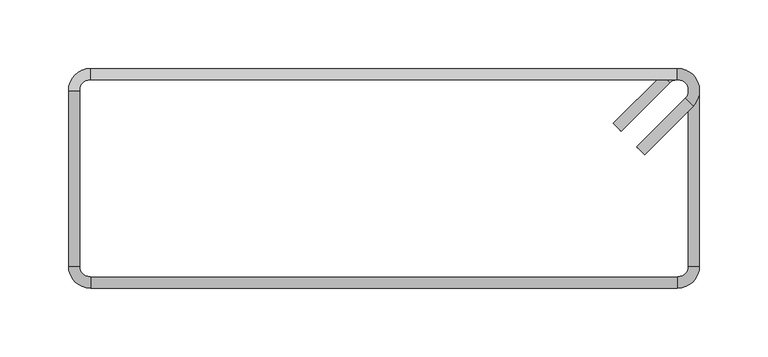
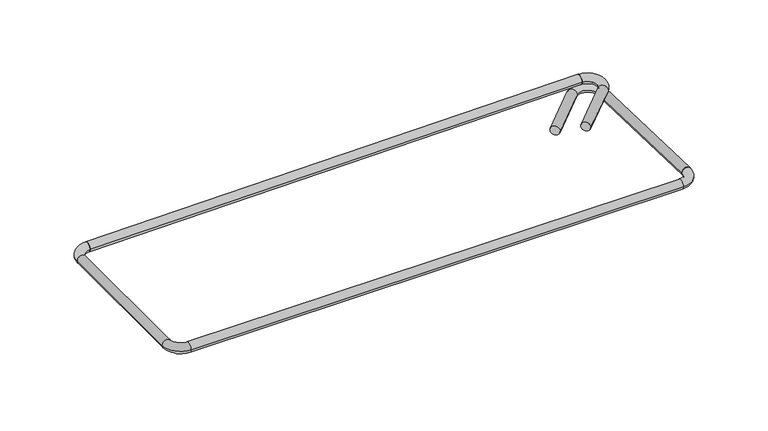
"""IFC4 building model written with IfcOpenShell, lengths in millimetres: proxy geometry."""

from ifc_helpers import new_model, si_unit, point, frame, origin, origin_2d, place, context, project, spatial, circle_curve, ellipse_curve, trimmed, segment, composite_curve, outline, extrude, source, transform, mapped, element, save
from ifc_brep_helpers import plane_surface, cylinder_surface, revolved_surface, extruded_surface, advanced_brep


def generic_models_0e64a374(model_context):
    return source(origin(), model_context, "Body", "SolidModel", [
        extrude(outline(composite_curve([segment(trimmed(circle_curve(origin_2d(), 4.0), [point((0.0, -4.0))], [point((0.0, 4.0))], False, "CARTESIAN"), True, "CONTINUOUS"), segment(trimmed(circle_curve(origin_2d(), 4.0), [point((0.0, 4.0))], [point((0.0, -4.0))], False, "CARTESIAN"), True, "CONTINUOUS")], self_intersect=False)), frame((187.1299423, 20.1593796, 4.0), z_axis=(0.7071067811865533, 0.7071067811865418, 0.0), x_axis=(0.0, 0.0, 1.0)), (0.0, 0.0, 1.0), 50.0),
        advanced_brep(
        [(214.0, 72.0, 4.0), (214.0, 80.0, 4.0), (219.6568542, 58.3431458, 4.0), (225.3137085, 52.6862915, 4.0)],
        [
            (0, 1, circle_curve(frame((214.0, 76.0, 4.0), z_axis=(-1.0, 0.0, 0.0), x_axis=(0.0, 1.0, 0.0)), 4.0)),
            (1, 0, circle_curve(frame((214.0, 76.0, 4.0), z_axis=(-1.0, 0.0, 0.0), x_axis=(0.0, 1.0, 0.0)), 4.0)),
            (2, 3, circle_curve(frame((222.4852814, 55.5147186, 4.0), z_axis=(-0.7071067811865459, -0.7071067811865491, 0.0), x_axis=(0.7071067811865491, -0.7071067811865459, 0.0)), 4.0)),
            (3, 2, circle_curve(frame((222.4852814, 55.5147186, 4.0), z_axis=(-0.7071067811865459, -0.7071067811865491, 0.0), x_axis=(0.7071067811865491, -0.7071067811865459, 0.0)), 4.0)),
            (3, 1, circle_curve(frame((214.0, 64.0, 4.0), z_axis=(0.0, 0.0, 1.0), x_axis=(0.0, 1.0, 0.0)), 16.0)),
            (0, 2, circle_curve(frame((214.0, 64.0, 4.0), z_axis=(0.0, 0.0, -1.0), x_axis=(0.0, 1.0, 0.0)), 8.0)),
        ],
        [
            plane_surface(frame((214.0, 76.0, 4.0), z_axis=(-1.0, 0.0, 0.0), x_axis=(0.0, 0.0, 1.0))),
            plane_surface(frame((222.4852814, 55.5147186, 4.0), z_axis=(-0.7071067811865459, -0.7071067811865491, 0.0), x_axis=(0.0, 0.0, 1.0))),
            revolved_surface(trimmed(ellipse_curve(frame((214.0, 76.0, 4.0), z_axis=(-1.0, 0.0, 0.0), x_axis=(0.0, 1.0, 0.0)), 4.0, 4.0), [point((214.0, 72.0, 4.0))], [point((214.0, 80.0, 4.0))], True, "CARTESIAN"), (214.0, 64.0, 4.0), (0.0, 0.0, -1.0)),
            revolved_surface(trimmed(ellipse_curve(frame((214.0, 76.0, 4.0), z_axis=(-1.0, 0.0, 0.0), x_axis=(0.0, 1.0, 0.0)), 4.0, 4.0), [point((214.0, 80.0, 4.0))], [point((214.0, 72.0, 4.0))], True, "CARTESIAN"), (214.0, 64.0, 4.0), (0.0, 0.0, -1.0)),
        ],
        [
            (0, [[1, 2]]),
            (1, [[3, 4]]),
            (2, [[5, -1, 6, -4]]),
            (3, [[-6, -2, -5, -3]]),
        ],
    ),
        extrude(outline(composite_curve([segment(trimmed(circle_curve(origin_2d(), 4.0), [point((0.0, -4.0))], [point((0.0, 4.0))], False, "CARTESIAN"), True, "CONTINUOUS"), segment(trimmed(circle_curve(origin_2d(), 4.0), [point((0.0, 4.0))], [point((0.0, -4.0))], False, "CARTESIAN"), True, "CONTINUOUS")], self_intersect=False)), frame((170.1593796, 37.1299423, -4.0), z_axis=(0.707106781186667, 0.7071067811864281, 0.0), x_axis=(0.0, 0.0, 1.0)), (0.0, 0.0, 1.0), 50.0),
        advanced_brep(
        [(230.0, 64.0, -4.0), (222.0, 64.0, -4.0), (202.6862915, 75.3137085, -4.0), (208.3431458, 69.6568542, -4.0)],
        [
            (0, 1, circle_curve(frame((226.0, 64.0, -4.0), z_axis=(0.0, -1.0, 0.0), x_axis=(-1.0, 0.0, 0.0)), 4.0)),
            (1, 0, circle_curve(frame((226.0, 64.0, -4.0), z_axis=(0.0, -1.0, 0.0), x_axis=(-1.0, 0.0, 0.0)), 4.0)),
            (2, 3, circle_curve(frame((205.5147186, 72.4852814, -4.0), z_axis=(-0.7071067811865468, -0.7071067811865482, 0.0), x_axis=(0.7071067811865482, -0.7071067811865468, 0.0)), 4.0)),
            (3, 2, circle_curve(frame((205.5147186, 72.4852814, -4.0), z_axis=(-0.7071067811865468, -0.7071067811865482, 0.0), x_axis=(0.7071067811865482, -0.7071067811865468, 0.0)), 4.0)),
            (3, 1, circle_curve(frame((214.0, 64.0, -4.0), z_axis=(0.0, 0.0, -1.0), x_axis=(1.0, 0.0, 0.0)), 8.0)),
            (0, 2, circle_curve(frame((214.0, 64.0, -4.0), z_axis=(0.0, 0.0, 1.0), x_axis=(1.0, 0.0, 0.0)), 16.0)),
        ],
        [
            plane_surface(frame((226.0, 64.0, -4.0), z_axis=(0.0, -1.0, 0.0), x_axis=(0.0, 0.0, 1.0))),
            plane_surface(frame((205.5147186, 72.4852814, -4.0), z_axis=(-0.7071067811865468, -0.7071067811865483, 0.0), x_axis=(0.0, 0.0, 1.0))),
            revolved_surface(trimmed(ellipse_curve(frame((226.0, 64.0, -4.0), z_axis=(0.0, -1.0, 0.0), x_axis=(-1.0, 0.0, 0.0)), 4.0, 4.0), [point((230.0, 64.0, -4.0))], [point((222.0, 64.0, -4.0))], True, "CARTESIAN"), (214.0, 64.0, -4.0), (0.0, 0.0, 1.0)),
            revolved_surface(trimmed(ellipse_curve(frame((226.0, 64.0, -4.0), z_axis=(0.0, -1.0, 0.0), x_axis=(-1.0, 0.0, 0.0)), 4.0, 4.0), [point((222.0, 64.0, -4.0))], [point((230.0, 64.0, -4.0))], True, "CARTESIAN"), (214.0, 64.0, -4.0), (0.0, 0.0, 1.0)),
        ],
        [
            (0, [[1, 2]]),
            (1, [[3, 4]]),
            (2, [[5, -1, 6, -4]]),
            (3, [[-6, -2, -5, -3]]),
        ],
    ),
        advanced_brep(
        [(230.0, 64.0, -4.0), (222.0, 64.0, -4.0), (230.0, -64.0, 0.0), (222.0, -64.0, 0.0)],
        [
            (0, 1, circle_curve(frame((226.0, 64.0, -4.0), z_axis=(0.0, 1.0, 0.0), x_axis=(-1.0, 0.0, 0.0)), 4.0)),
            (1, 0, circle_curve(frame((226.0, 64.0, -4.0), z_axis=(0.0, 1.0, 0.0), x_axis=(-1.0, 0.0, 0.0)), 4.0)),
            (2, 3, circle_curve(frame((226.0, -64.0, 0.0), z_axis=(0.0, -1.0, 0.0), x_axis=(-1.0, 0.0, 0.0)), 4.0)),
            (3, 2, circle_curve(frame((226.0, -64.0, 0.0), z_axis=(0.0, -1.0, 0.0), x_axis=(-1.0, 0.0, 0.0)), 4.0)),
            (3, 1),
            (0, 2),
        ],
        [
            plane_surface(frame((226.0, 64.0, -4.0), z_axis=(0.0, 1.0, 0.0), x_axis=(0.0, 0.0, -1.0))),
            plane_surface(frame((226.0, -64.0, 0.0), z_axis=(0.0, -1.0, 0.0), x_axis=(0.0, 0.0, -1.0))),
            extruded_surface(trimmed(circle_curve(frame((226.0, -64.0, 0.0), z_axis=(0.0, 1.0, 0.0), x_axis=(-1.0, 0.0, 0.0)), 4.0), [point((230.0, -64.0, 0.0))], [point((222.0, -64.0, 0.0))], True, "CARTESIAN"), (0.0, 128.0, -4.0), 128.06248474865697),
            extruded_surface(trimmed(circle_curve(frame((226.0, -64.0, 0.0), z_axis=(0.0, 1.0, 0.0), x_axis=(-1.0, 0.0, 0.0)), 4.0), [point((222.0, -64.0, 0.0))], [point((230.0, -64.0, 0.0))], True, "CARTESIAN"), (0.0, 128.0, -4.0), 128.06248474865697),
        ],
        [
            (0, [[1, 2]]),
            (1, [[3, 4]]),
            (2, [[-4, 5, -1, 6]]),
            (3, [[-3, -6, -2, -5]]),
        ],
    ),
        advanced_brep(
        [(214.0, 72.0, 4.0), (214.0, 80.0, 4.0), (-214.0, 72.0, 0.0), (-214.0, 80.0, 0.0)],
        [
            (0, 1, circle_curve(frame((214.0, 76.0, 4.0), z_axis=(1.0, 0.0, 0.0), x_axis=(0.0, 1.0, 0.0)), 4.0)),
            (1, 0, circle_curve(frame((214.0, 76.0, 4.0), z_axis=(1.0, 0.0, 0.0), x_axis=(0.0, 1.0, 0.0)), 4.0)),
            (2, 3, circle_curve(frame((-214.0, 76.0, 0.0), z_axis=(-1.0, 0.0, 0.0), x_axis=(0.0, 1.0, 0.0)), 4.0)),
            (3, 2, circle_curve(frame((-214.0, 76.0, 0.0), z_axis=(-1.0, 0.0, 0.0), x_axis=(0.0, 1.0, 0.0)), 4.0)),
            (3, 1),
            (0, 2),
        ],
        [
            plane_surface(frame((214.0, 76.0, 4.0), z_axis=(1.0, 0.0, 0.0), x_axis=(0.0, 0.0, -1.0))),
            plane_surface(frame((-214.0, 76.0, 0.0), z_axis=(-1.0, 0.0, 0.0), x_axis=(0.0, 0.0, -1.0))),
            extruded_surface(trimmed(circle_curve(frame((-214.0, 76.0, 0.0), z_axis=(1.0, 0.0, 0.0), x_axis=(0.0, 1.0, 0.0)), 4.0), [point((-214.0, 72.0, 0.0))], [point((-214.0, 80.0, 0.0))], True, "CARTESIAN"), (428.0, 0.0, 4.0), 428.01869118065395),
            extruded_surface(trimmed(circle_curve(frame((-214.0, 76.0, 0.0), z_axis=(1.0, 0.0, 0.0), x_axis=(0.0, 1.0, 0.0)), 4.0), [point((-214.0, 80.0, 0.0))], [point((-214.0, 72.0, 0.0))], True, "CARTESIAN"), (428.0, 0.0, 4.0), 428.01869118065395),
        ],
        [
            (0, [[1, 2]]),
            (1, [[3, 4]]),
            (2, [[-4, 5, -1, 6]]),
            (3, [[-3, -6, -2, -5]]),
        ],
    ),
        advanced_brep(
        [(-214.0, 80.0, 0.0), (-214.0, 72.0, 0.0), (-222.0, 64.0, 0.0), (-230.0, 64.0, 0.0), (-230.0, -64.0, 0.0), (-222.0, -64.0, 0.0), (-214.0, -72.0, 0.0), (-214.0, -80.0, 0.0), (214.0, -80.0, 0.0), (214.0, -72.0, 0.0), (230.0, -64.0, 0.0), (222.0, -64.0, 0.0)],
        [
            (0, 1, circle_curve(frame((-214.0, 76.0, 0.0), z_axis=(1.0, 0.0, 0.0), x_axis=(0.0, -1.0, 0.0)), 4.0)),
            (1, 0, circle_curve(frame((-214.0, 76.0, 0.0), z_axis=(1.0, 0.0, 0.0), x_axis=(0.0, -1.0, 0.0)), 4.0)),
            (2, 1, circle_curve(frame((-214.0, 64.0, 0.0), z_axis=(0.0, 0.0, -1.0), x_axis=(0.0, 1.0, 0.0)), 8.0)),
            (0, 3, circle_curve(frame((-214.0, 64.0, 0.0), z_axis=(0.0, 0.0, 1.0), x_axis=(0.0, 1.0, 0.0)), 16.0)),
            (3, 2, circle_curve(frame((-226.0, 64.0, 0.0), z_axis=(0.0, 1.0, 0.0), x_axis=(1.0, 0.0, 0.0)), 4.0)),
            (2, 3, circle_curve(frame((-226.0, 64.0, 0.0), z_axis=(0.0, 1.0, 0.0), x_axis=(1.0, 0.0, 0.0)), 4.0)),
            (3, 4),
            (4, 5, circle_curve(frame((-226.0, -64.0, 0.0), z_axis=(0.0, 1.0, 0.0), x_axis=(1.0, 0.0, 0.0)), 4.0)),
            (5, 2),
            (5, 4, circle_curve(frame((-226.0, -64.0, 0.0), z_axis=(0.0, 1.0, 0.0), x_axis=(1.0, 0.0, 0.0)), 4.0)),
            (6, 5, circle_curve(frame((-214.0, -64.0, 0.0), z_axis=(0.0, 0.0, -1.0), x_axis=(-1.0, 0.0, 0.0)), 8.0)),
            (4, 7, circle_curve(frame((-214.0, -64.0, 0.0), z_axis=(0.0, 0.0, 1.0), x_axis=(-1.0, 0.0, 0.0)), 16.0)),
            (7, 6, circle_curve(frame((-214.0, -76.0, 0.0), z_axis=(-1.0, 0.0, 0.0), x_axis=(0.0, 1.0, 0.0)), 4.0)),
            (6, 7, circle_curve(frame((-214.0, -76.0, 0.0), z_axis=(-1.0, 0.0, 0.0), x_axis=(0.0, 1.0, 0.0)), 4.0)),
            (7, 8),
            (8, 9, circle_curve(frame((214.0, -76.0, 0.0), z_axis=(-1.0, 0.0, 0.0), x_axis=(0.0, 1.0, 0.0)), 4.0)),
            (9, 6),
            (9, 8, circle_curve(frame((214.0, -76.0, 0.0), z_axis=(-1.0, 0.0, 0.0), x_axis=(0.0, 1.0, 0.0)), 4.0)),
            (10, 11, circle_curve(frame((226.0, -64.0, 0.0), z_axis=(0.0, 1.0, 0.0), x_axis=(-1.0, 0.0, 0.0)), 4.0)),
            (11, 10, circle_curve(frame((226.0, -64.0, 0.0), z_axis=(0.0, 1.0, 0.0), x_axis=(-1.0, 0.0, 0.0)), 4.0)),
            (11, 9, circle_curve(frame((214.0, -64.0, 0.0), z_axis=(0.0, 0.0, -1.0), x_axis=(0.0, -1.0, 0.0)), 8.0)),
            (8, 10, circle_curve(frame((214.0, -64.0, 0.0), z_axis=(0.0, 0.0, 1.0), x_axis=(0.0, -1.0, 0.0)), 16.0)),
        ],
        [
            plane_surface(frame((-214.0, 76.0, 0.0), z_axis=(1.0, 0.0, 0.0), x_axis=(0.0, 0.0, 1.0))),
            revolved_surface(trimmed(ellipse_curve(frame((-214.0, 76.0, 0.0), z_axis=(1.0, 0.0, 0.0), x_axis=(0.0, -1.0, 0.0)), 4.0, 4.0), [point((-214.0, 80.0, 0.0))], [point((-214.0, 72.0, 0.0))], True, "CARTESIAN"), (-214.0, 64.0, 0.0), (0.0, 0.0, 1.0)),
            revolved_surface(trimmed(ellipse_curve(frame((-214.0, 76.0, 0.0), z_axis=(1.0, 0.0, 0.0), x_axis=(0.0, -1.0, 0.0)), 4.0, 4.0), [point((-214.0, 72.0, 0.0))], [point((-214.0, 80.0, 0.0))], True, "CARTESIAN"), (-214.0, 64.0, 0.0), (0.0, 0.0, 1.0)),
            cylinder_surface(frame((-226.0, 64.0, 0.0), z_axis=(0.0, 1.0, 0.0), x_axis=(1.0, 0.0, 0.0)), 4.0),
            revolved_surface(trimmed(ellipse_curve(frame((-226.0, -64.0, 0.0), z_axis=(0.0, 1.0, 0.0), x_axis=(1.0, 0.0, 0.0)), 4.0, 4.0), [point((-230.0, -64.0, 0.0))], [point((-222.0, -64.0, 0.0))], True, "CARTESIAN"), (-214.0, -64.0, 0.0), (0.0, 0.0, 1.0)),
            revolved_surface(trimmed(ellipse_curve(frame((-226.0, -64.0, 0.0), z_axis=(0.0, 1.0, 0.0), x_axis=(1.0, 0.0, 0.0)), 4.0, 4.0), [point((-222.0, -64.0, 0.0))], [point((-230.0, -64.0, 0.0))], True, "CARTESIAN"), (-214.0, -64.0, 0.0), (0.0, 0.0, 1.0)),
            cylinder_surface(frame((-214.0, -76.0, 0.0), z_axis=(-1.0, 0.0, 0.0), x_axis=(0.0, 1.0, 0.0)), 4.0),
            plane_surface(frame((226.0, -64.0, 0.0), z_axis=(0.0, 1.0, 0.0), x_axis=(0.0, 0.0, 1.0))),
            revolved_surface(trimmed(ellipse_curve(frame((214.0, -76.0, 0.0), z_axis=(-1.0, 0.0, 0.0), x_axis=(0.0, 1.0, 0.0)), 4.0, 4.0), [point((214.0, -80.0, 0.0))], [point((214.0, -72.0, 0.0))], True, "CARTESIAN"), (214.0, -64.0, 0.0), (0.0, 0.0, 1.0)),
            revolved_surface(trimmed(ellipse_curve(frame((214.0, -76.0, 0.0), z_axis=(-1.0, 0.0, 0.0), x_axis=(0.0, 1.0, 0.0)), 4.0, 4.0), [point((214.0, -72.0, 0.0))], [point((214.0, -80.0, 0.0))], True, "CARTESIAN"), (214.0, -64.0, 0.0), (0.0, 0.0, 1.0)),
        ],
        [
            (0, [[1, 2]]),
            (1, [[3, -1, 4, 5]]),
            (2, [[-4, -2, -3, 6]]),
            (3, [[-5, 7, 8, 9]]),
            (3, [[-6, -9, 10, -7]]),
            (4, [[11, -8, 12, 13]]),
            (5, [[-12, -10, -11, 14]]),
            (6, [[-13, 15, 16, 17]]),
            (6, [[-14, -17, 18, -15]]),
            (7, [[19, 20]]),
            (8, [[21, -16, 22, -20]]),
            (9, [[-22, -18, -21, -19]]),
        ],
    ),
    ])


if __name__ == "__main__":
    model = new_model("IFC4")
    model_context = context("Model", 3, world=origin())
    ifc_project = project(units=[si_unit("LENGTHUNIT", "METRE", prefix="MILLI")], contexts=[model_context])
    site = spatial("IfcSite", under=ifc_project)
    building = spatial("IfcBuilding", under=site)
    placement = place(None, origin())
    generic_models_shape = generic_models_0e64a374(model_context)
    element("IfcBuildingElementProxy", 1, Name="Generic Models", at=placement, inside=building, context=model_context, shape_type="MappedRepresentation", body=[
        mapped(generic_models_shape, transform((0.0, 0.0, 0.0), x_axis=(1.0, 0.0, 0.0), y_axis=(0.0, 1.0, 0.0), z_axis=(0.0, 0.0, 1.0))),
    ])
    save(model, "model.ifc")
